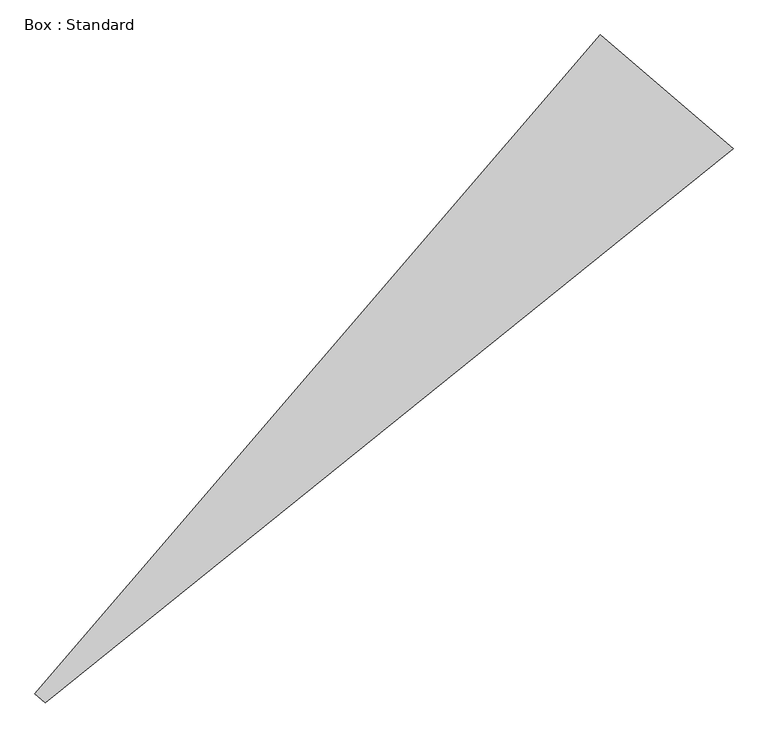
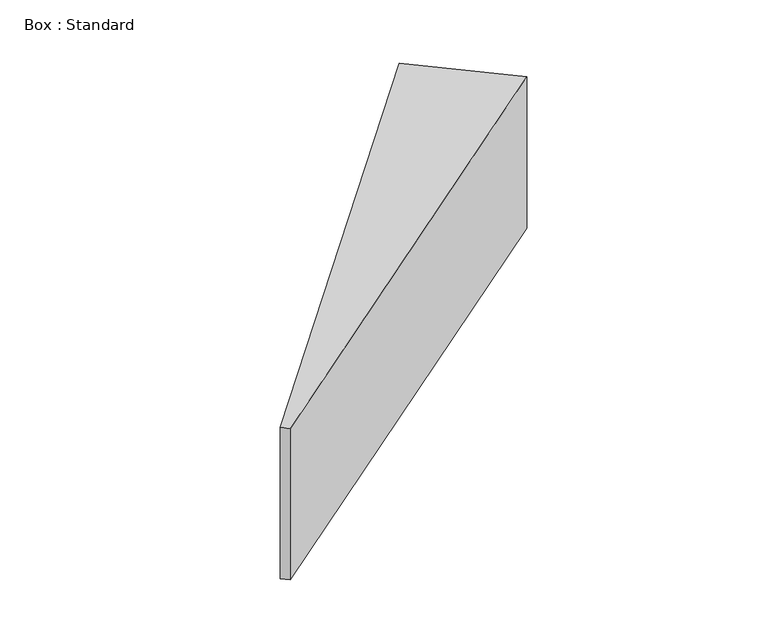
"""IFC4 building model written with IfcOpenShell, lengths in millimetres: plate geometry, Box : Standard."""

from ifc_helpers import new_model, si_unit, frame, origin, place, context, project, spatial, polyline, outline, extrude, source, transform, mapped, element, save


def box_standard_a77ddc47(model_context):
    return source(origin(), model_context, "Body", "SweptSolid", [
        extrude(outline(polyline([(3058.883512, 3058.883512), (3007.46545, 3102.9741844), (5785.1777943, 6342.3120754), (6436.4732436, 5783.8302282), (3058.883512, 3058.883512)])), frame((0.0, 0.0, -1219.2), z_axis=(0.0, 0.0, 1.0), x_axis=(1.0, 0.0, 0.0)), (0.0, 0.0, 1.0), 1219.2),
    ])


if __name__ == "__main__":
    model = new_model("IFC4")
    model_context = context("Model", 3, world=origin())
    ifc_project = project(units=[si_unit("LENGTHUNIT", "METRE", prefix="MILLI")], contexts=[model_context])
    site = spatial("IfcSite", under=ifc_project)
    building = spatial("IfcBuilding", under=site)
    placement = place(None, origin())
    box_standard_shape = box_standard_a77ddc47(model_context)
    element("IfcPlate", 1, ObjectType="Box : Standard", at=placement, inside=building, context=model_context, shape_type="MappedRepresentation", body=[
        mapped(box_standard_shape, transform((0.0, 0.0, 0.0), x_axis=(1.0, 0.0, 0.0), y_axis=(0.0, 1.0, 0.0), z_axis=(0.0, 0.0, 1.0))),
    ])
    save(model, "model.ifc")
